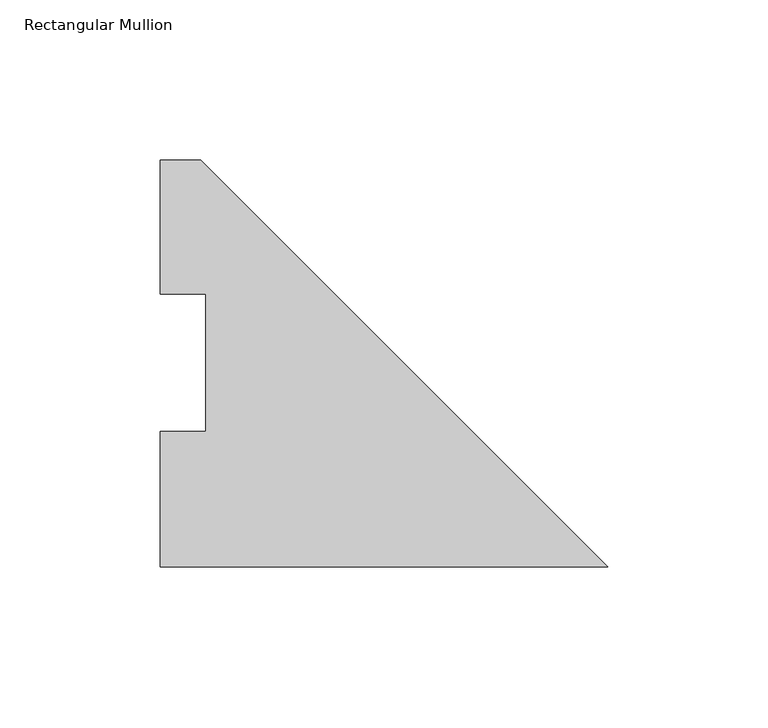
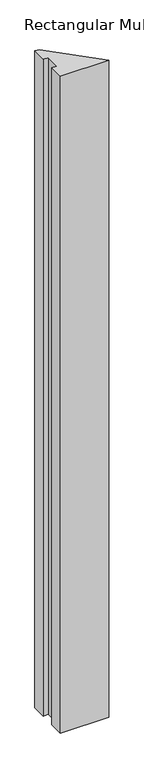
"""IFC4 building model written with IfcOpenShell, lengths in millimetres: member geometry, Rectangular Mullion."""

from ifc_helpers import new_model, si_unit, frame, origin, place, context, project, spatial, polyline, outline, extrude, source, transform, mapped, element, save


def rectangular_mullion_9edaf38e(model_context):
    return source(origin(), model_context, "Body", "SweptSolid", [
        extrude(outline(polyline([(-139.7, -0.20955), (-139.7, 42.08145), (-125.4125, 42.08145), (-125.4125, 84.93125), (-139.7, 84.93125), (-139.7, 126.79045), (-127.0, 126.79045), (0.0, -0.20955), (-139.7, -0.20955)])), frame((0.0, 0.0, -1997.075), z_axis=(0.0, 0.0, 1.0), x_axis=(1.0, 0.0, 0.0)), (0.0, 0.0, 1.0), 1997.075),
    ])


if __name__ == "__main__":
    model = new_model("IFC4")
    model_context = context("Model", 3, world=origin())
    ifc_project = project(units=[si_unit("LENGTHUNIT", "METRE", prefix="MILLI")], contexts=[model_context])
    site = spatial("IfcSite", under=ifc_project)
    building = spatial("IfcBuilding", under=site)
    placement = place(None, origin())
    rectangular_mullion_shape = rectangular_mullion_9edaf38e(model_context)
    element("IfcMember", 1, ObjectType="Rectangular Mullion", at=placement, inside=building, context=model_context, shape_type="MappedRepresentation", body=[
        mapped(rectangular_mullion_shape, transform((0.0, 0.0, 0.0), x_axis=(1.0, 0.0, 0.0), y_axis=(0.0, 1.0, 0.0), z_axis=(0.0, 0.0, 1.0))),
    ])
    save(model, "model.ifc")
